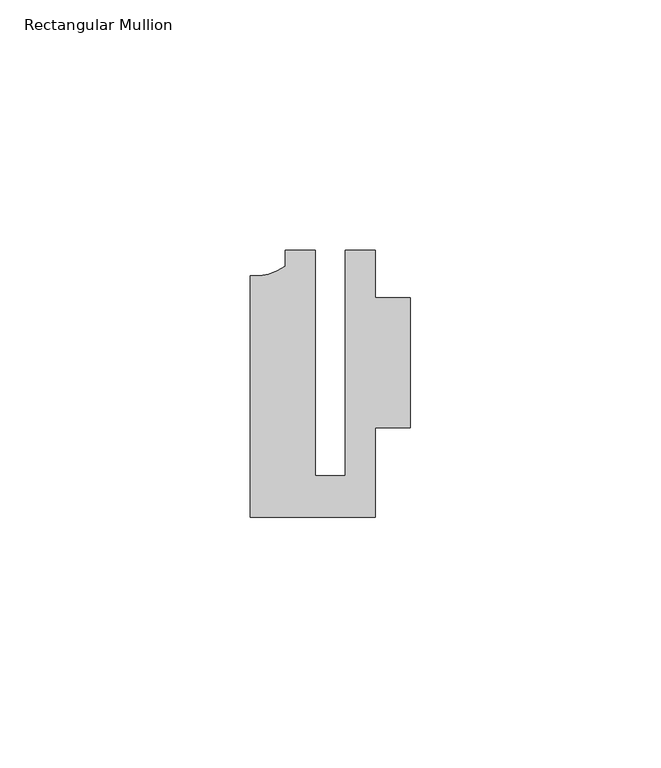
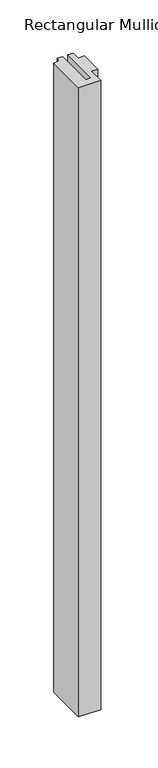
"""IFC4 building model written with IfcOpenShell, lengths in millimetres: member geometry, Rectangular Mullion."""

from ifc_helpers import new_model, si_unit, point, frame, frame_2d, origin, place, context, project, spatial, polyline, circle_curve, trimmed, segment, composite_curve, outline, extrude, source, transform, mapped, element, save


def rectangular_mullion_421a4f99(model_context):
    return source(origin(), model_context, "Body", "SweptSolid", [
        extrude(outline(composite_curve([segment(polyline([(-2.9999659, -24.5130805), (2.9999676, -24.5130805), (2.9999676, 20.5039877), (8.9999842, 20.5039877), (8.9999842, 11.0039877), (15.9999391, 11.0039877), (15.9999391, -14.9953356), (9.0, -14.9953356), (9.0, -32.7960123), (-15.9999391, -32.7960123), (-15.9999391, 15.3837352)]), True, "CONTINUOUS"), segment(trimmed(circle_curve(frame_2d((-15.1098019, 25.802169)), 10.4563907), [point((-15.9999391, 15.3837352))], [point((-9.0, 17.3165089))], True, "CARTESIAN"), True, "CONTINUOUS"), segment(polyline([(-9.0, 17.3165089), (-9.0, 20.5039877), (-2.9999659, 20.5039877), (-2.9999659, -24.5130805)]), True, "CONTINUOUS")], self_intersect=False)), frame((0.0, 0.0, -751.0049991), z_axis=(0.0, 0.0, 1.0), x_axis=(1.0, 0.0, 0.0)), (0.0, 0.0, 1.0), 751.0049991),
    ])


if __name__ == "__main__":
    model = new_model("IFC4")
    model_context = context("Model", 3, world=origin())
    ifc_project = project(units=[si_unit("LENGTHUNIT", "METRE", prefix="MILLI")], contexts=[model_context])
    site = spatial("IfcSite", under=ifc_project)
    building = spatial("IfcBuilding", under=site)
    placement = place(None, origin())
    rectangular_mullion_shape = rectangular_mullion_421a4f99(model_context)
    element("IfcMember", 1, ObjectType="Rectangular Mullion", at=placement, inside=building, context=model_context, shape_type="MappedRepresentation", body=[
        mapped(rectangular_mullion_shape, transform((0.0, 0.0, 0.0), x_axis=(1.0, 0.0, 0.0), y_axis=(0.0, 1.0, 0.0), z_axis=(0.0, 0.0, 1.0))),
    ])
    save(model, "model.ifc")
